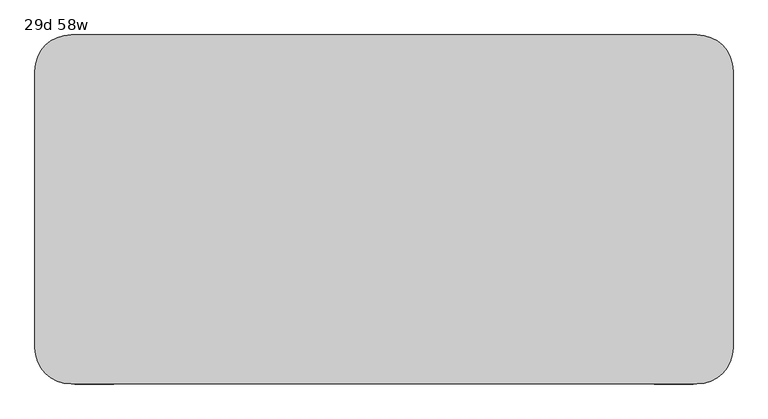
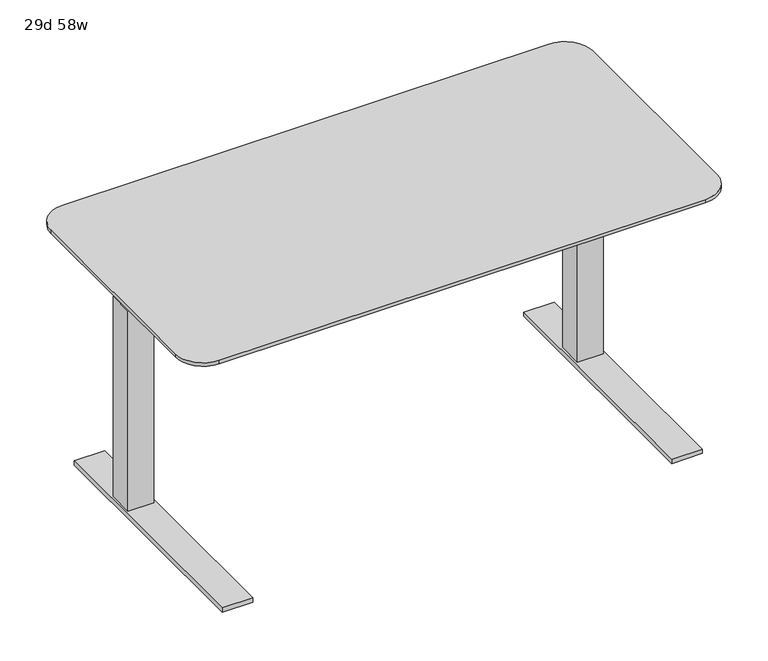
"""IFC4 building model written with IfcOpenShell, lengths in millimetres: furniture geometry, 29d 58w."""

from ifc_helpers import new_model, si_unit, point, frame, frame_2d, origin, origin_with_axes, place, context, project, spatial, polyline, circle_curve, trimmed, segment, composite_curve, outline, extrude, faceted_brep, source, transform, mapped, element, save
from ifc_brep_helpers import plane_surface, cylinder_surface, revolved_surface, advanced_brep


def furniture_29d_58w_6b9143bb(model_context):
    return source(origin(), model_context, "Body", "SolidModel", [
        advanced_brep(
        [(-215.9, -529.9534766, 736.6), (1104.9, -529.9534766, 736.6), (1181.1, -453.7534766, 736.6), (1181.1, 130.4465234, 736.6), (1104.9, 206.6465234, 736.6), (-215.9, 206.6465234, 736.6), (-292.1, 130.4465234, 736.6), (-292.1, -453.7534766, 736.6), (1104.9, -479.1534766, 706.4375), (-215.9, -479.1534766, 706.4375), (-241.3, -453.7534766, 706.4375), (-241.3, 130.4465234, 706.4375), (-215.9, 155.8465234, 706.4375), (1104.9, 155.8465234, 706.4375), (1130.3, 130.4465234, 706.4375), (1130.3, -453.7534766, 706.4375), (-215.9, -529.9534766, 727.075), (1104.9, -529.9534766, 727.075), (1181.1, -453.7534766, 727.075), (1181.1, 130.4465234, 727.075), (1104.9, 206.6465234, 727.075), (-215.9, 206.6465234, 727.075), (-292.1, 130.4465234, 727.075), (-292.1, -453.7534766, 727.075)],
        [
            (0, 1),
            (1, 2, circle_curve(frame((1104.9, -453.7534766, 736.6), z_axis=(0.0, 0.0, 1.0), x_axis=(1.0, 0.0, 0.0)), 76.2)),
            (2, 3),
            (3, 4, circle_curve(frame((1104.9, 130.4465234, 736.6), z_axis=(0.0, 0.0, 1.0), x_axis=(1.0, 0.0, 0.0)), 76.2)),
            (4, 5),
            (5, 6, circle_curve(frame((-215.9, 130.4465234, 736.6), z_axis=(0.0, 0.0, 1.0), x_axis=(1.0, 0.0, 0.0)), 76.2)),
            (6, 7),
            (7, 0, circle_curve(frame((-215.9, -453.7534766, 736.6), z_axis=(0.0, 0.0, 1.0), x_axis=(1.0, 0.0, 0.0)), 76.2)),
            (8, 9),
            (9, 10, circle_curve(frame((-215.9, -453.7534766, 706.4375), z_axis=(0.0, 0.0, -1.0), x_axis=(-1.0, 0.0, 0.0)), 25.4)),
            (10, 11),
            (11, 12, circle_curve(frame((-215.9, 130.4465234, 706.4375), z_axis=(0.0, 0.0, -1.0), x_axis=(0.0, 1.0, 0.0)), 25.4)),
            (12, 13),
            (13, 14, circle_curve(frame((1104.9, 130.4465234, 706.4375), z_axis=(0.0, 0.0, -1.0), x_axis=(1.0, 0.0, 0.0)), 25.4)),
            (14, 15),
            (15, 8, circle_curve(frame((1104.9, -453.7534766, 706.4375), z_axis=(0.0, 0.0, -1.0), x_axis=(0.0, -1.0, 0.0)), 25.4)),
            (0, 16),
            (16, 17),
            (17, 1),
            (2, 18),
            (18, 19),
            (19, 3),
            (17, 18, circle_curve(frame((1104.9, -453.7534766, 727.075), z_axis=(0.0, 0.0, 1.0), x_axis=(1.0, 0.0, 0.0)), 76.2)),
            (4, 20),
            (20, 21),
            (21, 5),
            (8, 17),
            (16, 9),
            (15, 18),
            (14, 19),
            (13, 20),
            (20, 19, circle_curve(frame((1104.9, 130.4465234, 727.075), z_axis=(0.0, 0.0, -1.0), x_axis=(1.0, 0.0, 0.0)), 76.2)),
            (12, 21),
            (6, 22),
            (22, 23),
            (23, 7),
            (21, 22, circle_curve(frame((-215.9, 130.4465234, 727.075), z_axis=(0.0, 0.0, 1.0), x_axis=(1.0, 0.0, 0.0)), 76.2)),
            (23, 16, circle_curve(frame((-215.9, -453.7534766, 727.075), z_axis=(0.0, 0.0, 1.0), x_axis=(1.0, 0.0, 0.0)), 76.2)),
            (11, 22),
            (10, 23),
        ],
        [
            plane_surface(frame((1104.9, -529.9534766, 736.6), z_axis=(0.0, 0.0, 1.0), x_axis=(1.0, 0.0, 0.0))),
            plane_surface(frame((1104.9, -529.9534766, 706.4375), z_axis=(0.0, 0.0, -1.0), x_axis=(-1.0, 0.0, 0.0))),
            plane_surface(frame((-215.9, -529.9534766, 736.6), z_axis=(0.0, -1.0, 0.0), x_axis=(0.0, 0.0, -1.0))),
            plane_surface(frame((1181.1, -453.7534766, 736.6), z_axis=(1.0, 0.0, 0.0), x_axis=(0.0, 0.0, -1.0))),
            cylinder_surface(frame((1104.9, -453.7534766, 706.4375), z_axis=(0.0, 0.0, 1.0), x_axis=(1.0, 0.0, 0.0)), 76.2),
            plane_surface(frame((1104.9, 206.6465234, 736.6), z_axis=(0.0, 1.0, 0.0), x_axis=(0.0, 0.0, -1.0))),
            plane_surface(frame((-215.9, -529.9534766, 727.075), z_axis=(0.0, -0.3763770469570871, -0.9264665771218423), x_axis=(1.0, 0.0, 0.0))),
            revolved_surface(polyline([(1104.9, -479.1534766, 706.4375), (1104.9, -529.9534766, 727.075)]), (1104.9, -453.7534766, 706.4375), (0.0, 0.0, 1.0)),
            plane_surface(frame((1181.1, -453.7534766, 727.075), z_axis=(0.3763770469570871, 0.0, -0.9264665771218423), x_axis=(0.0, 1.0, 0.0))),
            revolved_surface(polyline([(1130.3, 130.4465234, 706.4375), (1181.1, 130.4465234, 727.075)]), (1104.9, 130.4465234, 706.4375), (0.0, 0.0, 1.0)),
            plane_surface(frame((1104.9, 206.6465234, 727.075), z_axis=(0.0, 0.3763770469570871, -0.9264665771218423), x_axis=(-1.0, 0.0, 0.0))),
            cylinder_surface(frame((1104.9, 130.4465234, 706.4375), z_axis=(0.0, 0.0, 1.0), x_axis=(1.0, 0.0, 0.0)), 76.2),
            plane_surface(frame((-292.1, 130.4465234, 736.6), z_axis=(-1.0, 0.0, 0.0), x_axis=(0.0, 0.0, -1.0))),
            cylinder_surface(frame((-215.9, 130.4465234, 706.4375), z_axis=(0.0, 0.0, 1.0), x_axis=(1.0, 0.0, 0.0)), 76.2),
            cylinder_surface(frame((-215.9, -453.7534766, 706.4375), z_axis=(0.0, 0.0, 1.0), x_axis=(1.0, 0.0, 0.0)), 76.2),
            revolved_surface(polyline([(-215.9, 155.8465234, 706.4375), (-215.9, 206.6465234, 727.075)]), (-215.9, 130.4465234, 706.4375), (0.0, 0.0, 1.0)),
            plane_surface(frame((-292.1, 130.4465234, 727.075), z_axis=(-0.3763770469570871, 0.0, -0.9264665771218423), x_axis=(0.0, -1.0, 0.0))),
            revolved_surface(polyline([(-241.3, -453.7534766, 706.4375), (-292.1, -453.7534766, 727.075)]), (-215.9, -453.7534766, 706.4375), (0.0, 0.0, 1.0)),
        ],
        [
            (0, [[1, 2, 3, 4, 5, 6, 7, 8]]),
            (1, [[9, 10, 11, 12, 13, 14, 15, 16]]),
            (2, [[-1, 17, 18, 19]]),
            (3, [[-3, 20, 21, 22]]),
            (4, [[-2, -19, 23, -20]]),
            (5, [[-5, 24, 25, 26]]),
            (6, [[27, -18, 28, -9]]),
            (7, [[-27, -16, 29, -23]]),
            (8, [[-29, -15, 30, -21]]),
            (9, [[-30, -14, 31, 32]]),
            (10, [[-31, -13, 33, -25]]),
            (11, [[-4, -22, -32, -24]]),
            (12, [[-7, 34, 35, 36]]),
            (13, [[-6, -26, 37, -34]]),
            (14, [[-8, -36, 38, -17]]),
            (15, [[-33, -12, 39, -37]]),
            (16, [[-39, -11, 40, -35]]),
            (17, [[-28, -38, -40, -10]]),
        ],
    ),
        extrude(outline(composite_curve([segment(trimmed(circle_curve(frame_2d((1055.6875, 98.6965234)), 28.5342152), [point((1084.2217152, 98.6965234))], [point((1027.1532848, 98.6965234))], False, "CARTESIAN"), True, "CONTINUOUS"), segment(trimmed(circle_curve(frame_2d((1055.6875, 98.6965234)), 28.5342152), [point((1027.1532848, 98.6965234))], [point((1084.2217152, 98.6965234))], False, "CARTESIAN"), True, "CONTINUOUS")], self_intersect=False)), origin_with_axes(), (0.0, 0.0, 1.0), 9.525),
        extrude(outline(composite_curve([segment(trimmed(circle_curve(frame_2d((1055.6875, -423.5909766)), 28.6553383), [point((1084.3428383, -423.5909766))], [point((1027.0321617, -423.5909766))], False, "CARTESIAN"), True, "CONTINUOUS"), segment(trimmed(circle_curve(frame_2d((1055.6875, -423.5909766)), 28.6553383), [point((1027.0321617, -423.5909766))], [point((1084.3428383, -423.5909766))], False, "CARTESIAN"), True, "CONTINUOUS")], self_intersect=False)), origin_with_axes(), (0.0, 0.0, 1.0), 9.525),
        extrude(outline(polyline([(1025.525, -9.2534766), (1085.85, -9.2534766), (1085.85, -69.5784766), (1025.525, -69.5784766), (1025.525, -9.2534766)])), frame((0.0, 0.0, 596.9), z_axis=(0.0, 0.0, 1.0), x_axis=(1.0, 0.0, 0.0)), (0.0, 0.0, 1.0), 109.5375),
        faceted_brep([(1014.4125, 166.9590234, 9.525), (1014.4125, -529.9534766, 9.525), (1014.4125, -529.9534766, 22.225), (1014.4125, 166.9590234, 22.225), (1096.9625, 166.9590234, 9.525), (1096.9625, 166.9590234, 22.225), (1096.9625, -529.9534766, 22.225), (1096.9625, -529.9534766, 9.525), (1020.7625, -4.4909766, 596.9), (1020.7625, -74.3409766, 596.9), (1090.6125, -74.3409766, 596.9), (1090.6125, -4.4909766, 596.9), (1090.6125, -4.4909766, 22.225), (1020.7625, -4.4909766, 22.225), (1090.6125, -74.3409766, 22.225), (1020.7625, -74.3409766, 22.225)], [[[0, 1, 2, 3]], [[4, 5, 6, 7]], [[0, 4, 7, 1]], [[8, 9, 10, 11]], [[11, 12, 13, 8]], [[10, 14, 12, 11]], [[9, 15, 14, 10]], [[8, 13, 15, 9]], [[3, 5, 4, 0]], [[2, 6, 5, 3], [12, 14, 15, 13]], [[1, 7, 6, 2]]]),
        extrude(outline(polyline([(122.5090234, 706.4375), (122.5090234, 697.1238172), (-19.4652187, 639.7625), (-134.112735, 639.7625), (-436.2909766, 698.5), (-436.2909766, 706.4375), (122.5090234, 706.4375)])), frame((1090.6125, 0.0, 0.0), z_axis=(1.0, 0.0, 0.0), x_axis=(0.0, 1.0, 0.0)), (0.0, 0.0, 1.0), 3.175),
        extrude(outline(composite_curve([segment(trimmed(circle_curve(frame_2d((-166.6875, 98.6965234)), 28.5342152), [point((-195.2217152, 98.6965234))], [point((-138.1532848, 98.6965234))], False, "CARTESIAN"), True, "CONTINUOUS"), segment(trimmed(circle_curve(frame_2d((-166.6875, 98.6965234)), 28.5342152), [point((-138.1532848, 98.6965234))], [point((-195.2217152, 98.6965234))], False, "CARTESIAN"), True, "CONTINUOUS")], self_intersect=False)), origin_with_axes(), (0.0, 0.0, 1.0), 9.525),
        extrude(outline(composite_curve([segment(trimmed(circle_curve(frame_2d((-166.6875, -423.5909766)), 28.6553383), [point((-195.3428383, -423.5909766))], [point((-138.0321617, -423.5909766))], False, "CARTESIAN"), True, "CONTINUOUS"), segment(trimmed(circle_curve(frame_2d((-166.6875, -423.5909766)), 28.6553383), [point((-138.0321617, -423.5909766))], [point((-195.3428383, -423.5909766))], False, "CARTESIAN"), True, "CONTINUOUS")], self_intersect=False)), origin_with_axes(), (0.0, 0.0, 1.0), 9.525),
        extrude(outline(polyline([(-136.525, -9.2534766), (-136.525, -69.5784766), (-196.85, -69.5784766), (-196.85, -9.2534766), (-136.525, -9.2534766)])), frame((0.0, 0.0, 596.9), z_axis=(0.0, 0.0, 1.0), x_axis=(1.0, 0.0, 0.0)), (0.0, 0.0, 1.0), 109.5375),
        faceted_brep([(-125.4125, 166.9590234, 9.525), (-125.4125, 166.9590234, 22.225), (-125.4125, -529.9534766, 22.225), (-125.4125, -529.9534766, 9.525), (-207.9625, 166.9590234, 9.525), (-207.9625, -529.9534766, 9.525), (-207.9625, -529.9534766, 22.225), (-207.9625, 166.9590234, 22.225), (-131.7625, -4.4909766, 596.9), (-201.6125, -4.4909766, 596.9), (-201.6125, -74.3409766, 596.9), (-131.7625, -74.3409766, 596.9), (-131.7625, -4.4909766, 22.225), (-201.6125, -4.4909766, 22.225), (-201.6125, -74.3409766, 22.225), (-131.7625, -74.3409766, 22.225)], [[[0, 1, 2, 3]], [[4, 5, 6, 7]], [[0, 3, 5, 4]], [[8, 9, 10, 11]], [[9, 8, 12, 13]], [[10, 9, 13, 14]], [[11, 10, 14, 15]], [[8, 11, 15, 12]], [[1, 0, 4, 7]], [[2, 1, 7, 6], [13, 12, 15, 14]], [[3, 2, 6, 5]]]),
        extrude(outline(polyline([(122.5090234, 706.4375), (122.5090234, 697.1238172), (-19.4652187, 639.7625), (-134.112735, 639.7625), (-436.2909766, 698.5), (-436.2909766, 706.4375), (122.5090234, 706.4375)])), frame((-204.7875, 0.0, 0.0), z_axis=(1.0, 0.0, 0.0), x_axis=(0.0, 1.0, 0.0)), (0.0, 0.0, 1.0), 3.175),
        extrude(outline(polyline([(25.4585171, 649.8500141), (-89.8230727, 649.8500141), (-89.8230727, 697.9814512), (-109.5630742, 697.9814512), (-109.5630742, 689.8499708), (-112.1930735, 689.8499708), (-112.1930735, 700.6603575), (47.8331325, 700.6603575), (47.8331325, 689.8499708), (45.2031332, 689.8499708), (45.2031332, 697.9814512), (25.4585171, 697.9814512), (25.4585171, 649.8500141)])), frame((-131.7625, 0.0, 0.0), z_axis=(1.0, 0.0, 0.0), x_axis=(0.0, 1.0, 0.0)), (0.0, 0.0, 1.0), 1152.525),
    ])


if __name__ == "__main__":
    model = new_model("IFC4")
    model_context = context("Model", 3, world=origin())
    ifc_project = project(units=[si_unit("LENGTHUNIT", "METRE", prefix="MILLI")], contexts=[model_context])
    site = spatial("IfcSite", under=ifc_project)
    building = spatial("IfcBuilding", under=site)
    placement = place(None, origin())
    furniture_29d_58w_shape = furniture_29d_58w_6b9143bb(model_context)
    element("IfcFurniture", 1, ObjectType="29d 58w", at=placement, inside=building, context=model_context, shape_type="MappedRepresentation", body=[
        mapped(furniture_29d_58w_shape, transform((0.0, 0.0, 0.0), x_axis=(1.0, 0.0, 0.0), y_axis=(0.0, 1.0, 0.0), z_axis=(0.0, 0.0, 1.0))),
    ])
    save(model, "model.ifc")
